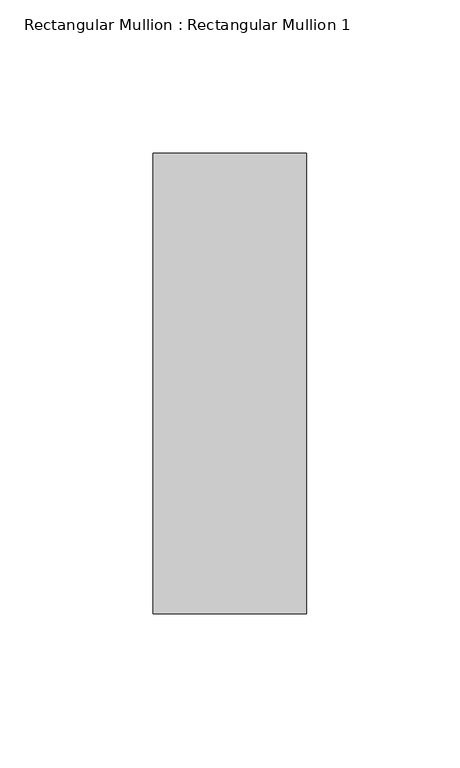
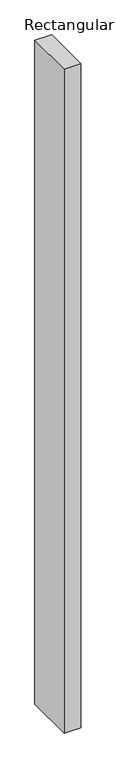
"""IFC4 building model written with IfcOpenShell, lengths in millimetres: member geometry, Rectangular Mullion : Rectangular Mullion 1."""

from ifc_helpers import new_model, si_unit, frame, origin, place, context, project, spatial, polyline, outline, extrude, source, transform, mapped, element, save


def rectangular_mullion_rectangular_mullion_1_84c79dd1(model_context):
    return source(origin(), model_context, "Body", "SweptSolid", [
        extrude(outline(polyline([(0.0, 75.0), (0.0, -75.0), (-50.0, -75.0), (-50.0, 75.0), (0.0, 75.0)])), frame((0.0, 0.0, -2083.3333333), z_axis=(0.0, 0.0, 1.0), x_axis=(1.0, 0.0, 0.0)), (0.0, 0.0, 1.0), 2083.3333333),
    ])


if __name__ == "__main__":
    model = new_model("IFC4")
    model_context = context("Model", 3, world=origin())
    ifc_project = project(units=[si_unit("LENGTHUNIT", "METRE", prefix="MILLI")], contexts=[model_context])
    site = spatial("IfcSite", under=ifc_project)
    building = spatial("IfcBuilding", under=site)
    placement = place(None, origin())
    rectangular_mullion_rectangular_mullion_1_shape = rectangular_mullion_rectangular_mullion_1_84c79dd1(model_context)
    element("IfcMember", 1, ObjectType="Rectangular Mullion : Rectangular Mullion 1", at=placement, inside=building, context=model_context, shape_type="MappedRepresentation", body=[
        mapped(rectangular_mullion_rectangular_mullion_1_shape, transform((0.0, 0.0, 0.0), x_axis=(1.0, 0.0, 0.0), y_axis=(0.0, 1.0, 0.0), z_axis=(0.0, 0.0, 1.0))),
    ])
    save(model, "model.ifc")
